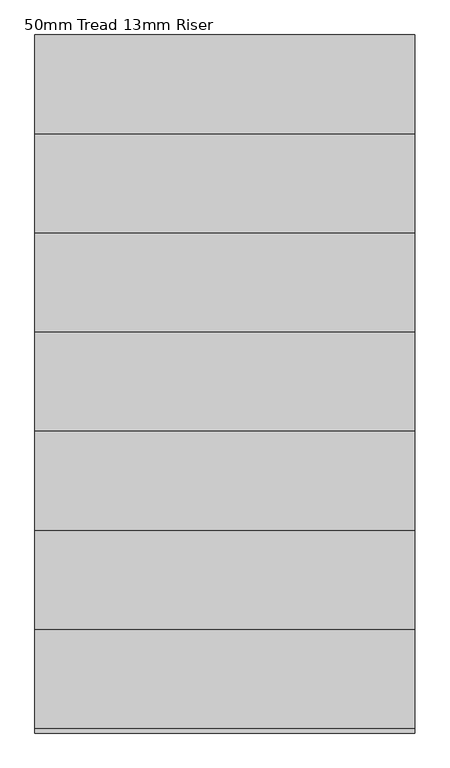
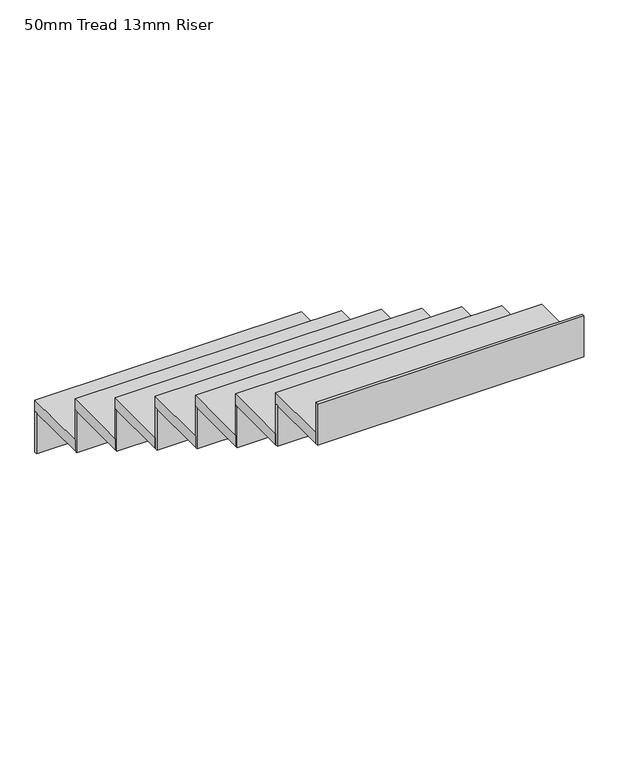
"""IFC4 building model written with IfcOpenShell, lengths in millimetres: stair flight geometry, 50mm Tread 13mm Riser."""

import ifcopenshell
import ifcopenshell.guid

model = None  # the IFC model being written
_history = None  # IfcOwnerHistory: only IFC2X3 demands one
_inside = {}  # id of a spatial element -> (the spatial element, [elements in it])
_under = {}  # id of a project, library or spatial element -> (it, [spatial elements below it])
_declared = {}  # id of a project -> (the project, [libraries it declares])
_typed = {}  # id of a type object -> (the type object, [elements of that type])
_made_of = {}  # id of a material, layer set ... -> (it, [elements and type objects made of it])


def new_model(schema):
    """Start an empty IFC model of exactly this schema.

    Asked for "IFC4X3", IfcOpenShell would pick the latest addendum, in which some entities
    have other attributes; the version numbers below select the first issue.
    IFC2X3 requires an IfcOwnerHistory on every rooted entity: one is made here for all.
    """
    global model, _history
    if schema == "IFC4X3":
        model = ifcopenshell.file(schema_version=(4, 3, 0, 0))
    else:
        model = ifcopenshell.file(schema=schema)
    _inside.clear()
    _under.clear()
    _declared.clear()
    _typed.clear()
    _made_of.clear()
    _history = None
    if model.schema == "IFC2X3":
        org = make("IfcOrganization", Name="unknown")
        user = make(
            "IfcPersonAndOrganization",
            ThePerson=make("IfcPerson", FamilyName="unknown"),
            TheOrganization=org,
        )
        app = make(
            "IfcApplication",
            ApplicationDeveloper=org,
            Version="unknown",
            ApplicationFullName="unknown",
            ApplicationIdentifier="unknown",
        )
        _history = make(
            "IfcOwnerHistory",
            OwningUser=user,
            OwningApplication=app,
            ChangeAction="ADDED",
            CreationDate=0,
        )
    return model


def make(cls, **values):
    """One entity of the class cls with the attributes given. An attribute that is None is left unset."""
    return model.create_entity(
        cls, **{name: value for name, value in values.items() if value is not None}
    )


def rooted(cls, **values):
    """An entity with a GlobalId (a new one), such as an element, a storey or a relation."""
    return make(cls, GlobalId=ifcopenshell.guid.new(), OwnerHistory=_history, **values)


def si_unit(unit_type, name, prefix=None):
    """IfcSIUnit, for example si_unit("LENGTHUNIT", "METRE", prefix="MILLI")."""
    return make("IfcSIUnit", UnitType=unit_type, Prefix=prefix, Name=name)


def assignment(units):
    """IfcUnitAssignment: the units of a project."""
    return None if units is None else make("IfcUnitAssignment", Units=units)


def point(xyz):
    """IfcCartesianPoint."""
    return None if xyz is None else make("IfcCartesianPoint", Coordinates=xyz)


def direction(xyz):
    """IfcDirection."""
    return None if xyz is None else make("IfcDirection", DirectionRatios=xyz)


def frame(location, z_axis=None, x_axis=None):
    """IfcAxis2Placement3D, a coordinate frame: its origin and axes. An axis left out is left unset."""
    return make(
        "IfcAxis2Placement3D",
        Location=point(location),
        Axis=direction(z_axis),
        RefDirection=direction(x_axis),
    )


def origin():
    """The frame at (0, 0, 0) with its axes left unset."""
    return frame((0.0, 0.0, 0.0))


def place(relative_to, where):
    """IfcLocalPlacement: puts the frame where relative to a parent placement (None: the world)."""
    return make(
        "IfcLocalPlacement", PlacementRelTo=relative_to, RelativePlacement=where
    )


def context(
    kind, dimensions, precision=None, world=None, true_north=None, identifier=None
):
    """IfcGeometricRepresentationContext, for example the 3D "Model" context."""
    return make(
        "IfcGeometricRepresentationContext",
        ContextIdentifier=identifier,
        ContextType=kind,
        CoordinateSpaceDimension=dimensions,
        Precision=precision,
        WorldCoordinateSystem=world,
        TrueNorth=true_north,
    )


def project(units=None, contexts=None):
    """IfcProject with its units and contexts."""
    return rooted(
        "IfcProject",
        Name="project",
        RepresentationContexts=contexts,
        UnitsInContext=assignment(units),
    )


def spatial(cls, under=None, at=None, **own):
    """A site, building, storey or space (cls), placed at a placement, below another one or the project."""
    s = rooted(cls, ObjectPlacement=at, **own)
    if under is not None:
        _under.setdefault(under.id(), (under, []))[1].append(s)
    return s


def polyline(points):
    """IfcPolyline through the points."""
    return make("IfcPolyline", Points=[point(p) for p in points])


def outline(outer, holes=None, kind="AREA"):
    """IfcArbitraryClosedProfileDef: a profile drawn as a closed curve; with holes, ...WithVoids."""
    if holes is None:
        return make("IfcArbitraryClosedProfileDef", ProfileType=kind, OuterCurve=outer)
    return make(
        "IfcArbitraryProfileDefWithVoids",
        ProfileType=kind,
        OuterCurve=outer,
        InnerCurves=holes,
    )


def extrude(swept, where, along, depth):
    """IfcExtrudedAreaSolid: the profile swept, set in the frame where, extruded along a direction by depth."""
    return make(
        "IfcExtrudedAreaSolid",
        SweptArea=swept,
        Position=where,
        ExtrudedDirection=direction(along),
        Depth=depth,
    )


def shape(context_of_items, identifier, shape_type, items):
    """IfcShapeRepresentation: the items that make up one representation, for example the "Body"."""
    return make(
        "IfcShapeRepresentation",
        ContextOfItems=context_of_items,
        RepresentationIdentifier=identifier,
        RepresentationType=shape_type,
        Items=items,
    )


def source(mapping_origin, context_of_items, identifier, shape_type, items):
    """IfcRepresentationMap: a shape defined once, which mapped items show again and again."""
    return make(
        "IfcRepresentationMap",
        MappingOrigin=mapping_origin,
        MappedRepresentation=shape(context_of_items, identifier, shape_type, items),
    )


def transform(
    local_origin,
    x_axis=None,
    y_axis=None,
    z_axis=None,
    scale=None,
    scale2=None,
    scale3=None,
    uniform=True,
):
    """IfcCartesianTransformationOperator3D, or its non-uniform kind. x_axis, y_axis, z_axis: its Axis1, 2, 3."""
    if uniform:
        return make(
            "IfcCartesianTransformationOperator3D",
            Axis1=direction(x_axis),
            Axis2=direction(y_axis),
            LocalOrigin=point(local_origin),
            Scale=scale,
            Axis3=direction(z_axis),
        )
    return make(
        "IfcCartesianTransformationOperator3DnonUniform",
        Axis1=direction(x_axis),
        Axis2=direction(y_axis),
        LocalOrigin=point(local_origin),
        Scale=scale,
        Axis3=direction(z_axis),
        Scale2=scale2,
        Scale3=scale3,
    )


def mapped(mapping_source, mapping_target):
    """IfcMappedItem: shows the shape of a source again, moved by a transform."""
    return make(
        "IfcMappedItem", MappingSource=mapping_source, MappingTarget=mapping_target
    )


def made_of(thing, what):
    """Note that an element or type object is made of a material, layer set ...; save() writes the relation."""
    if what is not None:
        _made_of.setdefault(what.id(), (what, []))[1].append(thing)
    return thing


def element(
    cls,
    number,
    at=None,
    inside=None,
    cuts=None,
    type_object=None,
    material=None,
    context=None,
    identifier="Body",
    shape_type=None,
    held_by="IfcProductDefinitionShape",
    body=None,
    shapes=None,
    **own,
):
    """One element of the class cls, such as IfcWall. Its Tag is "e" and its number.

    at: its placement. inside: the storey or other place that contains it. cuts: it is an
    opening in that element (IfcRelVoidsElement). A single representation is given by context,
    identifier, shape_type and body (its items); several are given by shapes. held_by: the class
    of the entity that holds the representations. save() writes the other relations.
    """
    e = rooted(cls, Tag="e%d" % number, ObjectPlacement=at, **own)
    if body is not None:
        shapes = [shape(context, identifier, shape_type, body)]
    if shapes is not None:
        e.Representation = make(held_by, Representations=shapes)
    if inside is not None:
        _inside.setdefault(inside.id(), (inside, []))[1].append(e)
    if cuts is not None:
        rooted(
            "IfcRelVoidsElement", RelatingBuildingElement=cuts, RelatedOpeningElement=e
        )
    if type_object is not None:
        _typed.setdefault(type_object.id(), (type_object, []))[1].append(e)
    return made_of(e, material)


def aggregate(whole, parts):
    """IfcRelAggregates: a whole, such as a stair, and the parts it consists of."""
    return rooted("IfcRelAggregates", RelatingObject=whole, RelatedObjects=parts)


def save(model, path):
    """Write the relations noted so far, then the file.

    IfcRelAggregates (storeys below a building ...), IfcRelContainedInSpatialStructure (elements
    in a storey), IfcRelDefinesByType, IfcRelAssociatesMaterial and IfcRelDeclares: one each for
    every whole, place, type object, material and project.
    """
    for whole, parts in _under.values():
        aggregate(whole, parts)
    for where, things in _inside.values():
        rooted(
            "IfcRelContainedInSpatialStructure",
            RelatedElements=things,
            RelatingStructure=where,
        )
    for kind, things in _typed.values():
        rooted("IfcRelDefinesByType", RelatedObjects=things, RelatingType=kind)
    for what, things in _made_of.values():
        rooted("IfcRelAssociatesMaterial", RelatedObjects=things, RelatingMaterial=what)
    for by, libraries in _declared.values():
        rooted("IfcRelDeclares", RelatingContext=by, RelatedDefinitions=libraries)
    model.write(path)


def stair_flight_50mm_tread_13mm_riser_81e2e146(model_context):
    return source(origin(), model_context, "Body", "SweptSolid", [
        extrude(outline(polyline([(1684.355623, -9384.865151), (1684.355623, -9372.365151), (2834.355623, -9372.365151), (2834.355623, -9384.865151), (1684.355623, -9384.865151)])), frame((0.0, 0.0, 4450.0), z_axis=(0.0, 0.0, 1.0), x_axis=(1.0, 0.0, 0.0)), (0.0, 0.0, 1.0), 187.5),
        extrude(outline(polyline([(2834.355623, -9672.365151), (1684.355623, -9672.365151), (1684.355623, -9372.365151), (2834.355623, -9372.365151), (2834.355623, -9672.365151)])), frame((0.0, 0.0, 4637.5), z_axis=(0.0, 0.0, 1.0), x_axis=(1.0, 0.0, 0.0)), (0.0, 0.0, 1.0), 50.0),
        extrude(outline(polyline([(1684.355623, -9684.865151), (1684.355623, -9672.365151), (2834.355623, -9672.365151), (2834.355623, -9684.865151), (1684.355623, -9684.865151)])), frame((0.0, 0.0, 4637.5), z_axis=(0.0, 0.0, 1.0), x_axis=(1.0, 0.0, 0.0)), (0.0, 0.0, 1.0), 187.5),
        extrude(outline(polyline([(2834.355623, -9972.365151), (1684.355623, -9972.365151), (1684.355623, -9672.365151), (2834.355623, -9672.365151), (2834.355623, -9972.365151)])), frame((0.0, 0.0, 4825.0), z_axis=(0.0, 0.0, 1.0), x_axis=(1.0, 0.0, 0.0)), (0.0, 0.0, 1.0), 50.0),
        extrude(outline(polyline([(1684.355623, -9984.865151), (1684.355623, -9972.365151), (2834.355623, -9972.365151), (2834.355623, -9984.865151), (1684.355623, -9984.865151)])), frame((0.0, 0.0, 4825.0), z_axis=(0.0, 0.0, 1.0), x_axis=(1.0, 0.0, 0.0)), (0.0, 0.0, 1.0), 187.5),
        extrude(outline(polyline([(2834.355623, -10272.365151), (1684.355623, -10272.365151), (1684.355623, -9972.365151), (2834.355623, -9972.365151), (2834.355623, -10272.365151)])), frame((0.0, 0.0, 5012.5), z_axis=(0.0, 0.0, 1.0), x_axis=(1.0, 0.0, 0.0)), (0.0, 0.0, 1.0), 50.0),
        extrude(outline(polyline([(1684.355623, -10284.865151), (1684.355623, -10272.365151), (2834.355623, -10272.365151), (2834.355623, -10284.865151), (1684.355623, -10284.865151)])), frame((0.0, 0.0, 5012.5), z_axis=(0.0, 0.0, 1.0), x_axis=(1.0, 0.0, 0.0)), (0.0, 0.0, 1.0), 187.5),
        extrude(outline(polyline([(2834.355623, -10572.365151), (1684.355623, -10572.365151), (1684.355623, -10272.365151), (2834.355623, -10272.365151), (2834.355623, -10572.365151)])), frame((0.0, 0.0, 5200.0), z_axis=(0.0, 0.0, 1.0), x_axis=(1.0, 0.0, 0.0)), (0.0, 0.0, 1.0), 50.0),
        extrude(outline(polyline([(1684.355623, -10584.865151), (1684.355623, -10572.365151), (2834.355623, -10572.365151), (2834.355623, -10584.865151), (1684.355623, -10584.865151)])), frame((0.0, 0.0, 5200.0), z_axis=(0.0, 0.0, 1.0), x_axis=(1.0, 0.0, 0.0)), (0.0, 0.0, 1.0), 187.5),
        extrude(outline(polyline([(2834.355623, -10872.365151), (1684.355623, -10872.365151), (1684.355623, -10572.365151), (2834.355623, -10572.365151), (2834.355623, -10872.365151)])), frame((0.0, 0.0, 5387.5), z_axis=(0.0, 0.0, 1.0), x_axis=(1.0, 0.0, 0.0)), (0.0, 0.0, 1.0), 50.0),
        extrude(outline(polyline([(1684.355623, -10884.865151), (1684.355623, -10872.365151), (2834.355623, -10872.365151), (2834.355623, -10884.865151), (1684.355623, -10884.865151)])), frame((0.0, 0.0, 5387.5), z_axis=(0.0, 0.0, 1.0), x_axis=(1.0, 0.0, 0.0)), (0.0, 0.0, 1.0), 187.5),
        extrude(outline(polyline([(2834.355623, -11172.365151), (1684.355623, -11172.365151), (1684.355623, -10872.365151), (2834.355623, -10872.365151), (2834.355623, -11172.365151)])), frame((0.0, 0.0, 5575.0), z_axis=(0.0, 0.0, 1.0), x_axis=(1.0, 0.0, 0.0)), (0.0, 0.0, 1.0), 50.0),
        extrude(outline(polyline([(1684.355623, -11184.865151), (1684.355623, -11172.365151), (2834.355623, -11172.365151), (2834.355623, -11184.865151), (1684.355623, -11184.865151)])), frame((0.0, 0.0, 5575.0), z_axis=(0.0, 0.0, 1.0), x_axis=(1.0, 0.0, 0.0)), (0.0, 0.0, 1.0), 187.5),
        extrude(outline(polyline([(1684.355623, -11484.865151), (1684.355623, -11472.365151), (2834.355623, -11472.365151), (2834.355623, -11484.865151), (1684.355623, -11484.865151)])), frame((0.0, 0.0, 5762.5), z_axis=(0.0, 0.0, 1.0), x_axis=(1.0, 0.0, 0.0)), (0.0, 0.0, 1.0), 187.5),
        extrude(outline(polyline([(2834.355623, -11472.365151), (1684.355623, -11472.365151), (1684.355623, -11172.365151), (2834.355623, -11172.365151), (2834.355623, -11472.365151)])), frame((0.0, 0.0, 5762.5), z_axis=(0.0, 0.0, 1.0), x_axis=(1.0, 0.0, 0.0)), (0.0, 0.0, 1.0), 50.0),
    ])


if __name__ == "__main__":
    model = new_model("IFC4")
    model_context = context("Model", 3, world=origin())
    ifc_project = project(units=[si_unit("LENGTHUNIT", "METRE", prefix="MILLI")], contexts=[model_context])
    site = spatial("IfcSite", under=ifc_project)
    building = spatial("IfcBuilding", under=site)
    placement = place(None, origin())
    stair_flight_50mm_tread_13mm_riser_shape = stair_flight_50mm_tread_13mm_riser_81e2e146(model_context)
    element("IfcStairFlight", 1, ObjectType="50mm Tread 13mm Riser", at=placement, inside=building, context=model_context, shape_type="MappedRepresentation", body=[
        mapped(stair_flight_50mm_tread_13mm_riser_shape, transform((0.0, 0.0, 0.0), x_axis=(1.0, 0.0, 0.0), y_axis=(0.0, 1.0, 0.0), z_axis=(0.0, 0.0, 1.0))),
    ])
    save(model, "model.ifc")
